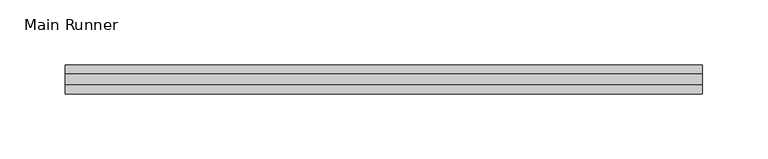
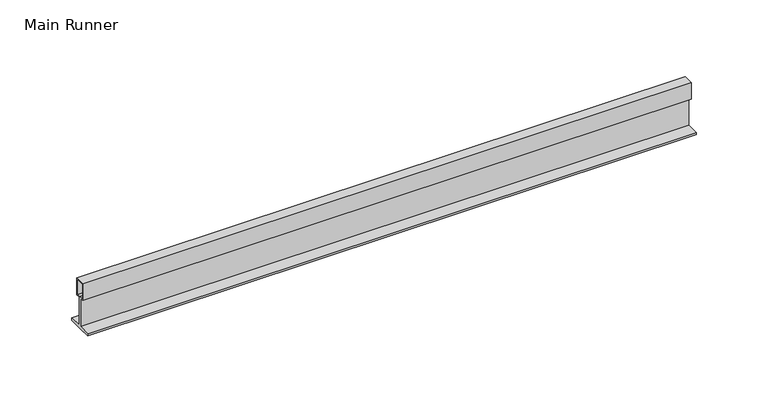
"""IFC4 building model written with IfcOpenShell, lengths in millimetres: beam geometry, Main Runner."""

from ifc_helpers import new_model, si_unit, frame, origin, place, context, project, spatial, polyline, outline, extrude, source, transform, mapped, element, save


def main_runner_546c74e1(model_context):
    return source(origin(), model_context, "Body", "SweptSolid", [
        extrude(outline(polyline([(-11.0, -2.0), (-11.0, 0.0), (-1.0, 0.0), (-1.0, 24.0), (-4.0, 24.0), (-4.0, 38.1243468), (4.0, 38.1243468), (4.0, 24.0), (1.0, 24.0), (1.0, 0.0), (11.0, 0.0), (11.0, -2.0), (0.0, -2.0), (-11.0, -2.0)]), holes=[polyline([(-3.0, 37.1243468), (-3.0, 25.0), (0.0, 25.0), (3.0169966, 25.0), (3.0169966, 37.1243468), (-3.0, 37.1243468)])]), frame((-291.6034703, 0.0, 0.0), z_axis=(1.0, 0.0, 0.0), x_axis=(0.0, 1.0, 0.0)), (0.0, 0.0, 1.0), 488.1034703),
    ])


if __name__ == "__main__":
    model = new_model("IFC4")
    model_context = context("Model", 3, world=origin())
    ifc_project = project(units=[si_unit("LENGTHUNIT", "METRE", prefix="MILLI")], contexts=[model_context])
    site = spatial("IfcSite", under=ifc_project)
    building = spatial("IfcBuilding", under=site)
    placement = place(None, origin())
    main_runner_shape = main_runner_546c74e1(model_context)
    element("IfcBeam", 1, ObjectType="Main Runner", at=placement, inside=building, context=model_context, shape_type="MappedRepresentation", body=[
        mapped(main_runner_shape, transform((0.0, 0.0, 0.0), x_axis=(1.0, 0.0, 0.0), y_axis=(0.0, 1.0, 0.0), z_axis=(0.0, 0.0, 1.0))),
    ])
    save(model, "model.ifc")
